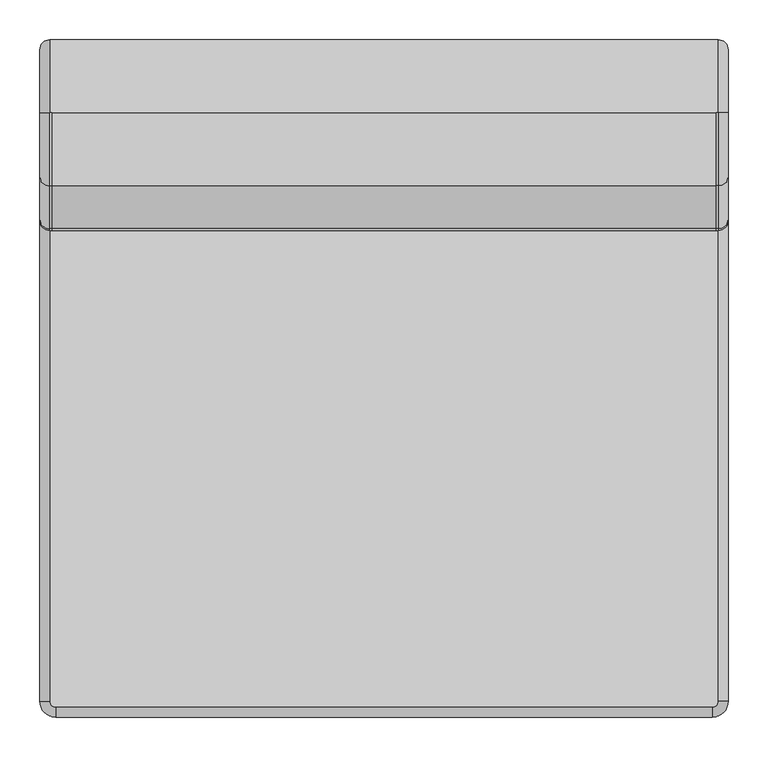
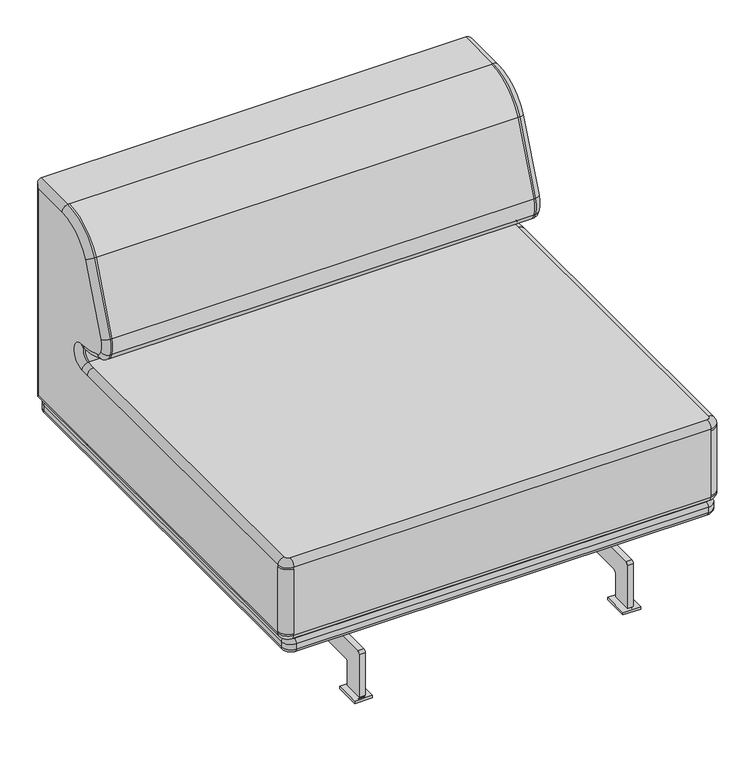
"""IFC4 building model written with IfcOpenShell, lengths in millimetres: furniture geometry."""

from ifc_helpers import new_model, si_unit, point, frame, frame_2d, origin, origin_with_axes, place, context, project, spatial, polyline, circle_curve, ellipse_curve, trimmed, segment, composite_curve, outline, extrude, source, transform, mapped, element, save
from ifc_brep_helpers import plane_surface, cylinder_surface, revolved_surface, advanced_brep


def furniture_51ce3e55(model_context):
    return source(origin(), model_context, "Body", "SolidModel", [
        advanced_brep(
        [(407.0265758, 417.5505267, 158.8040803), (418.5265758, 406.0505267, 158.8040803), (418.5265758, -406.9494733, 158.8040803), (407.0265758, -418.4494733, 158.8040803), (-407.028131, -418.4494733, 158.8040803), (-418.528131, -406.9494733, 158.8040803), (-418.528131, 406.0505267, 158.8040803), (-407.028131, 417.5505267, 158.8040803), (418.5265758, 406.0505267, 185.0), (407.0265758, 417.5505267, 185.0), (-407.028131, 417.5505267, 185.0), (-418.528131, 406.0505267, 185.0), (-418.528131, -406.9494733, 185.0), (-407.028131, -418.4494733, 185.0), (407.0265758, -418.4494733, 185.0), (418.5265758, -406.9494733, 185.0), (407.0265758, 425.0505267, 166.3040803), (426.0265758, 406.0505267, 166.3040803), (407.0265758, 425.0505267, 177.5), (426.0265758, 406.0505267, 177.5), (-407.028131, 425.0505267, 166.3040803), (-407.028131, 425.0505267, 177.5), (-426.028131, 406.0505267, 166.3040803), (-426.028131, 406.0505267, 177.5), (-426.028131, -406.9494733, 166.3040803), (-426.028131, -406.9494733, 177.5), (-407.028131, -425.9494733, 166.3040803), (-407.028131, -425.9494733, 177.5), (407.0265758, -425.9494733, 166.3040803), (407.0265758, -425.9494733, 177.5), (426.0265758, -406.9494733, 166.3040803), (426.0265758, -406.9494733, 177.5)],
        [
            (0, 1, circle_curve(frame((407.0265758, 406.0505267, 158.8040803), z_axis=(0.0, 0.0, -1.0), x_axis=(1.0, 0.0, 0.0)), 11.5)),
            (1, 2),
            (2, 3, circle_curve(frame((407.0265758, -406.9494733, 158.8040803), z_axis=(0.0, 0.0, -1.0), x_axis=(0.0, -1.0, 0.0)), 11.5)),
            (3, 4),
            (4, 5, circle_curve(frame((-407.028131, -406.9494733, 158.8040803), z_axis=(0.0, 0.0, -1.0), x_axis=(-1.0, 0.0, 0.0)), 11.5)),
            (5, 6),
            (6, 7, circle_curve(frame((-407.028131, 406.0505267, 158.8040803), z_axis=(0.0, 0.0, -1.0), x_axis=(0.0, 1.0, 0.0)), 11.5)),
            (7, 0),
            (8, 9, circle_curve(frame((407.0265758, 406.0505267, 185.0), z_axis=(0.0, 0.0, 1.0), x_axis=(1.0, 0.0, 0.0)), 11.5)),
            (9, 10),
            (10, 11, circle_curve(frame((-407.028131, 406.0505267, 185.0), z_axis=(0.0, 0.0, 1.0), x_axis=(0.0, 1.0, 0.0)), 11.5)),
            (11, 12),
            (12, 13, circle_curve(frame((-407.028131, -406.9494733, 185.0), z_axis=(0.0, 0.0, 1.0), x_axis=(-1.0, 0.0, 0.0)), 11.5)),
            (13, 14),
            (14, 15, circle_curve(frame((407.0265758, -406.9494733, 185.0), z_axis=(0.0, 0.0, 1.0), x_axis=(0.0, -1.0, 0.0)), 11.5)),
            (15, 8),
            (16, 17, circle_curve(frame((407.0265758, 406.0505267, 166.3040803), z_axis=(0.0, 0.0, -1.0), x_axis=(1.0, 0.0, 0.0)), 19.0)),
            (17, 1, circle_curve(frame((418.5265758, 406.0505267, 166.3040803), z_axis=(0.0, 1.0, 0.0), x_axis=(-1.0, 0.0, 0.0)), 7.5)),
            (0, 16, circle_curve(frame((407.0265758, 417.5505267, 166.3040803), z_axis=(1.0, 0.0, 0.0), x_axis=(0.0, -1.0, 0.0)), 7.5)),
            (16, 18),
            (18, 19, circle_curve(frame((407.0265758, 406.0505267, 177.5), z_axis=(0.0, 0.0, -1.0), x_axis=(1.0, 0.0, 0.0)), 19.0)),
            (19, 17),
            (18, 9, circle_curve(frame((407.0265758, 417.5505267, 177.5), z_axis=(1.0, 0.0, 0.0), x_axis=(0.0, -1.0, 0.0)), 7.5)),
            (8, 19, circle_curve(frame((418.5265758, 406.0505267, 177.5), z_axis=(0.0, 1.0, 0.0), x_axis=(-1.0, 0.0, 0.0)), 7.5)),
            (7, 20, circle_curve(frame((-407.028131, 417.5505267, 166.3040803), z_axis=(1.0, 0.0, 0.0), x_axis=(0.0, -1.0, 0.0)), 7.5)),
            (20, 16),
            (20, 21),
            (21, 18),
            (21, 10, circle_curve(frame((-407.028131, 417.5505267, 177.5), z_axis=(1.0, 0.0, 0.0), x_axis=(0.0, -1.0, 0.0)), 7.5)),
            (6, 22, circle_curve(frame((-418.528131, 406.0505267, 166.3040803), z_axis=(0.0, 1.0, 0.0), x_axis=(1.0, 0.0, 0.0)), 7.5)),
            (22, 20, circle_curve(frame((-407.028131, 406.0505267, 166.3040803), z_axis=(0.0, 0.0, -1.0), x_axis=(0.0, 1.0, 0.0)), 19.0)),
            (22, 23),
            (23, 21, circle_curve(frame((-407.028131, 406.0505267, 177.5), z_axis=(0.0, 0.0, -1.0), x_axis=(0.0, 1.0, 0.0)), 19.0)),
            (23, 11, circle_curve(frame((-418.528131, 406.0505267, 177.5), z_axis=(0.0, 1.0, 0.0), x_axis=(1.0, 0.0, 0.0)), 7.5)),
            (5, 24, circle_curve(frame((-418.528131, -406.9494733, 166.3040803), z_axis=(0.0, 1.0, 0.0), x_axis=(1.0, 0.0, 0.0)), 7.5)),
            (24, 22),
            (24, 25),
            (25, 23),
            (25, 12, circle_curve(frame((-418.528131, -406.9494733, 177.5), z_axis=(0.0, 1.0, 0.0), x_axis=(1.0, 0.0, 0.0)), 7.5)),
            (4, 26, circle_curve(frame((-407.028131, -418.4494733, 166.3040803), z_axis=(-1.0, 0.0, 0.0), x_axis=(0.0, 1.0, 0.0)), 7.5)),
            (26, 24, circle_curve(frame((-407.028131, -406.9494733, 166.3040803), z_axis=(0.0, 0.0, -1.0), x_axis=(-1.0, 0.0, 0.0)), 19.0)),
            (26, 27),
            (27, 25, circle_curve(frame((-407.028131, -406.9494733, 177.5), z_axis=(0.0, 0.0, -1.0), x_axis=(-1.0, 0.0, 0.0)), 19.0)),
            (27, 13, circle_curve(frame((-407.028131, -418.4494733, 177.5), z_axis=(-1.0, 0.0, 0.0), x_axis=(0.0, 1.0, 0.0)), 7.5)),
            (3, 28, circle_curve(frame((407.0265758, -418.4494733, 166.3040803), z_axis=(-1.0, 0.0, 0.0), x_axis=(0.0, 1.0, 0.0)), 7.5)),
            (28, 26),
            (28, 29),
            (29, 27),
            (29, 14, circle_curve(frame((407.0265758, -418.4494733, 177.5), z_axis=(-1.0, 0.0, 0.0), x_axis=(0.0, 1.0, 0.0)), 7.5)),
            (2, 30, circle_curve(frame((418.5265758, -406.9494733, 166.3040803), z_axis=(0.0, -1.0, 0.0), x_axis=(-1.0, 0.0, 0.0)), 7.5)),
            (30, 28, circle_curve(frame((407.0265758, -406.9494733, 166.3040803), z_axis=(0.0, 0.0, -1.0), x_axis=(0.0, -1.0, 0.0)), 19.0)),
            (30, 31),
            (31, 29, circle_curve(frame((407.0265758, -406.9494733, 177.5), z_axis=(0.0, 0.0, -1.0), x_axis=(0.0, -1.0, 0.0)), 19.0)),
            (31, 15, circle_curve(frame((418.5265758, -406.9494733, 177.5), z_axis=(0.0, -1.0, 0.0), x_axis=(-1.0, 0.0, 0.0)), 7.5)),
            (17, 30),
            (19, 31),
        ],
        [
            plane_surface(frame((-403.028131, 406.0505267, 158.8040803), z_axis=(0.0, 0.0, -1.0), x_axis=(0.0, -1.0, 0.0))),
            plane_surface(frame((-403.028131, 406.0505267, 185.0), z_axis=(0.0, 0.0, 1.0), x_axis=(0.0, 1.0, 0.0))),
            revolved_surface(trimmed(ellipse_curve(frame((418.5265758, 406.0505267, 166.3040803), z_axis=(0.0, -1.0, 0.0), x_axis=(-1.0, 0.0, 0.0)), 7.5, 7.5), [point((418.5265758, 406.0505267, 158.8040803))], [point((426.0265758, 406.0505267, 166.3040803))], True, "CARTESIAN"), (407.0265758, 406.0505267, 185.0), (0.0, 0.0, 1.0)),
            cylinder_surface(frame((407.0265758, 406.0505267, 185.0), z_axis=(0.0, 0.0, 1.0), x_axis=(1.0, 0.0, 0.0)), 19.0),
            revolved_surface(trimmed(ellipse_curve(frame((418.5265758, 406.0505267, 177.5), z_axis=(0.0, -1.0, 0.0), x_axis=(-1.0, 0.0, 0.0)), 7.5, 7.5), [point((426.0265758, 406.0505267, 177.5))], [point((418.5265758, 406.0505267, 185.0))], True, "CARTESIAN"), (407.0265758, 406.0505267, 185.0), (0.0, 0.0, 1.0)),
            cylinder_surface(frame((407.0265758, 417.5505267, 166.3040803), z_axis=(1.0, 0.0, 0.0), x_axis=(0.0, -1.0, 0.0)), 7.5),
            plane_surface(frame((407.0265758, 425.0505267, 166.3040803), z_axis=(0.0, 1.0, 0.0), x_axis=(-1.0, 0.0, 0.0))),
            cylinder_surface(frame((407.0265758, 417.5505267, 177.5), z_axis=(1.0, 0.0, 0.0), x_axis=(0.0, -1.0, 0.0)), 7.5),
            revolved_surface(trimmed(ellipse_curve(frame((-407.028131, 417.5505267, 166.3040803), z_axis=(1.0, 0.0, 0.0), x_axis=(0.0, -1.0, 0.0)), 7.5, 7.5), [point((-407.028131, 417.5505267, 158.8040803))], [point((-407.028131, 425.0505267, 166.3040803))], True, "CARTESIAN"), (-407.028131, 406.0505267, 185.0), (0.0, 0.0, 1.0)),
            cylinder_surface(frame((-407.028131, 406.0505267, 185.0), z_axis=(0.0, 0.0, 1.0), x_axis=(0.0, 1.0, 0.0)), 19.0),
            revolved_surface(trimmed(ellipse_curve(frame((-407.028131, 417.5505267, 177.5), z_axis=(1.0, 0.0, 0.0), x_axis=(0.0, -1.0, 0.0)), 7.5, 7.5), [point((-407.028131, 425.0505267, 177.5))], [point((-407.028131, 417.5505267, 185.0))], True, "CARTESIAN"), (-407.028131, 406.0505267, 185.0), (0.0, 0.0, 1.0)),
            cylinder_surface(frame((-418.528131, 406.0505267, 166.3040803), z_axis=(0.0, 1.0, 0.0), x_axis=(1.0, 0.0, 0.0)), 7.5),
            plane_surface(frame((-426.028131, 406.0505267, 166.3040803), z_axis=(-1.0, 0.0, 0.0), x_axis=(0.0, -1.0, 0.0))),
            cylinder_surface(frame((-418.528131, 406.0505267, 177.5), z_axis=(0.0, 1.0, 0.0), x_axis=(1.0, 0.0, 0.0)), 7.5),
            revolved_surface(trimmed(ellipse_curve(frame((-418.528131, -406.9494733, 166.3040803), z_axis=(0.0, 1.0, 0.0), x_axis=(1.0, 0.0, 0.0)), 7.5, 7.5), [point((-418.528131, -406.9494733, 158.8040803))], [point((-426.028131, -406.9494733, 166.3040803))], True, "CARTESIAN"), (-407.028131, -406.9494733, 185.0), (0.0, 0.0, 1.0)),
            cylinder_surface(frame((-407.028131, -406.9494733, 185.0), z_axis=(0.0, 0.0, 1.0), x_axis=(-1.0, 0.0, 0.0)), 19.0),
            revolved_surface(trimmed(ellipse_curve(frame((-418.528131, -406.9494733, 177.5), z_axis=(0.0, 1.0, 0.0), x_axis=(1.0, 0.0, 0.0)), 7.5, 7.5), [point((-426.028131, -406.9494733, 177.5))], [point((-418.528131, -406.9494733, 185.0))], True, "CARTESIAN"), (-407.028131, -406.9494733, 185.0), (0.0, 0.0, 1.0)),
            cylinder_surface(frame((-407.028131, -418.4494733, 166.3040803), z_axis=(-1.0, 0.0, 0.0), x_axis=(0.0, 1.0, 0.0)), 7.5),
            plane_surface(frame((-407.028131, -425.9494733, 166.3040803), z_axis=(0.0, -1.0, 0.0), x_axis=(1.0, 0.0, 0.0))),
            cylinder_surface(frame((-407.028131, -418.4494733, 177.5), z_axis=(-1.0, 0.0, 0.0), x_axis=(0.0, 1.0, 0.0)), 7.5),
            revolved_surface(trimmed(ellipse_curve(frame((407.0265758, -418.4494733, 166.3040803), z_axis=(-1.0, 0.0, 0.0), x_axis=(0.0, 1.0, 0.0)), 7.5, 7.5), [point((407.0265758, -418.4494733, 158.8040803))], [point((407.0265758, -425.9494733, 166.3040803))], True, "CARTESIAN"), (407.0265758, -406.9494733, 185.0), (0.0, 0.0, 1.0)),
            cylinder_surface(frame((407.0265758, -406.9494733, 185.0), z_axis=(0.0, 0.0, 1.0), x_axis=(0.0, -1.0, 0.0)), 19.0),
            revolved_surface(trimmed(ellipse_curve(frame((407.0265758, -418.4494733, 177.5), z_axis=(-1.0, 0.0, 0.0), x_axis=(0.0, 1.0, 0.0)), 7.5, 7.5), [point((407.0265758, -425.9494733, 177.5))], [point((407.0265758, -418.4494733, 185.0))], True, "CARTESIAN"), (407.0265758, -406.9494733, 185.0), (0.0, 0.0, 1.0)),
            cylinder_surface(frame((418.5265758, -406.9494733, 166.3040803), z_axis=(0.0, -1.0, 0.0), x_axis=(-1.0, 0.0, 0.0)), 7.5),
            plane_surface(frame((426.0265758, -406.9494733, 166.3040803), z_axis=(1.0, 0.0, 0.0), x_axis=(0.0, 1.0, 0.0))),
            cylinder_surface(frame((418.5265758, -406.9494733, 177.5), z_axis=(0.0, -1.0, 0.0), x_axis=(-1.0, 0.0, 0.0)), 7.5),
        ],
        [
            (0, [[1, 2, 3, 4, 5, 6, 7, 8]]),
            (1, [[9, 10, 11, 12, 13, 14, 15, 16]]),
            (2, [[17, 18, -1, 19]]),
            (3, [[-17, 20, 21, 22]]),
            (4, [[-21, 23, -9, 24]]),
            (5, [[-19, -8, 25, 26]]),
            (6, [[-20, -26, 27, 28]]),
            (7, [[-23, -28, 29, -10]]),
            (8, [[-25, -7, 30, 31]]),
            (9, [[-27, -31, 32, 33]]),
            (10, [[-29, -33, 34, -11]]),
            (11, [[-30, -6, 35, 36]]),
            (12, [[-32, -36, 37, 38]]),
            (13, [[-34, -38, 39, -12]]),
            (14, [[-35, -5, 40, 41]]),
            (15, [[-37, -41, 42, 43]]),
            (16, [[-39, -43, 44, -13]]),
            (17, [[-40, -4, 45, 46]]),
            (18, [[-42, -46, 47, 48]]),
            (19, [[-44, -48, 49, -14]]),
            (20, [[-45, -3, 50, 51]]),
            (21, [[-47, -51, 52, 53]]),
            (22, [[-49, -53, 54, -15]]),
            (23, [[-18, 55, -50, -2]]),
            (24, [[-22, 56, -52, -55]]),
            (25, [[-24, -16, -54, -56]]),
        ],
    ),
        extrude(outline(polyline([(-282.9984228, 411.0000594), (-247.9984228, 411.0000594), (-247.9984228, 359.0085721), (-282.9984228, 359.0085721), (-282.9984228, 411.0000594)])), origin_with_axes(), (0.0, 0.0, 1.0), 5.0),
        extrude(outline(polyline([(-282.9984228, -410.9863447), (-282.9984228, -358.9948573), (-247.9984228, -358.9948573), (-247.9984228, -410.9863447), (-282.9984228, -410.9863447)])), origin_with_axes(), (0.0, 0.0, 1.0), 5.0),
        extrude(outline(composite_curve([segment(trimmed(circle_curve(frame_2d((-259.9934856, 104.9874953)), 5.0), [point((-259.9934856, 99.9874953))], [point((-254.9934856, 104.9874953))], True, "CARTESIAN"), True, "CONTINUOUS"), segment(polyline([(-254.9934856, 104.9874953), (-254.9934856, 158.854696), (255.003771, 158.854696), (255.003771, 104.9874953)]), True, "CONTINUOUS"), segment(trimmed(circle_curve(frame_2d((260.003771, 104.9874953)), 5.0), [point((255.003771, 104.9874953))], [point((260.003771, 99.9874953))], True, "CARTESIAN"), True, "CONTINUOUS"), segment(polyline([(260.003771, 99.9874953), (399.9970143, 99.9874953)]), True, "CONTINUOUS"), segment(trimmed(circle_curve(frame_2d((399.9970143, 94.9874953)), 5.0), [point((399.9970143, 99.9874953))], [point((404.9970143, 94.9874953))], False, "CARTESIAN"), True, "CONTINUOUS"), segment(polyline([(404.9970143, 94.9874953), (404.9970143, 5.0)]), True, "CONTINUOUS"), segment(trimmed(circle_curve(frame_2d((399.9970143, 5.0)), 5.0), [point((404.9970143, 5.0))], [point((399.9970143, 0.0))], False, "CARTESIAN"), True, "CONTINUOUS"), segment(polyline([(399.9970143, 0.0), (370.0099022, 0.0)]), True, "CONTINUOUS"), segment(trimmed(circle_curve(frame_2d((370.0099022, 5.0)), 5.0), [point((370.0099022, 0.0))], [point((365.0099022, 5.0))], False, "CARTESIAN"), True, "CONTINUOUS"), segment(polyline([(365.0099022, 5.0), (365.0099022, 54.9883827)]), True, "CONTINUOUS"), segment(trimmed(circle_curve(frame_2d((360.0099022, 54.9883827)), 5.0), [point((365.0099022, 54.9883827))], [point((360.0099022, 59.9883827))], True, "CARTESIAN"), True, "CONTINUOUS"), segment(polyline([(360.0099022, 59.9883827), (-359.9979025, 59.9883827)]), True, "CONTINUOUS"), segment(trimmed(circle_curve(frame_2d((-359.9979025, 54.9883827)), 5.0), [point((-359.9979025, 59.9883827))], [point((-364.9979025, 54.9883827))], True, "CARTESIAN"), True, "CONTINUOUS"), segment(polyline([(-364.9979025, 54.9883827), (-364.9979025, 5.0)]), True, "CONTINUOUS"), segment(trimmed(circle_curve(frame_2d((-369.9979025, 5.0)), 5.0), [point((-364.9979025, 5.0))], [point((-369.9979025, 0.0))], False, "CARTESIAN"), True, "CONTINUOUS"), segment(polyline([(-369.9979025, 0.0), (-400.0004437, 0.0)]), True, "CONTINUOUS"), segment(trimmed(circle_curve(frame_2d((-400.0004437, 5.0)), 5.0), [point((-400.0004437, 0.0))], [point((-405.0004437, 5.0))], False, "CARTESIAN"), True, "CONTINUOUS"), segment(polyline([(-405.0004437, 5.0), (-405.0004437, 94.9874953)]), True, "CONTINUOUS"), segment(trimmed(circle_curve(frame_2d((-400.0004437, 94.9874953)), 5.0), [point((-405.0004437, 94.9874953))], [point((-400.0004437, 99.9874953))], False, "CARTESIAN"), True, "CONTINUOUS"), segment(polyline([(-400.0004437, 99.9874953), (-259.9934856, 99.9874953)]), True, "CONTINUOUS")], self_intersect=False)), frame((-271.0000122, 0.0, 0.0), z_axis=(1.0, 0.0, 0.0), x_axis=(0.0, 1.0, 0.0)), (0.0, 0.0, 1.0), 12.0),
        advanced_brep(
        [(432.1324279, -405.9949168, 335.625543), (432.1324279, -405.9949168, 201.0480441), (432.1324279, -405.9949168, 197.3364528), (432.1324279, 246.2827052, 197.3364528), (432.1324279, 412.8241303, 197.3364528), (432.1324279, 412.8241303, 627.6635713), (432.1324279, 333.4049582, 627.6635713), (432.1324279, 252.7150707, 578.4496009), (432.1324279, 199.5786009, 443.5202413), (432.1324279, 199.5786009, 417.2662665), (432.1324279, 209.8034378, 405.5075691), (432.1324279, 264.5066492, 394.0100399), (432.1324279, 264.5066492, 339.3371343), (432.1324279, 246.2827052, 339.3371343), (432.1324279, -405.9949168, 339.3371343), (419.7959751, 425.1605831, 640.0000241), (419.7959751, 425.1605831, 185.0), (-419.9441661, 425.1605831, 185.0), (-419.9441661, 425.1605831, 640.0000241), (-432.2806188, -405.9949168, 335.625543), (-432.2806188, -405.9949168, 201.0480441), (-412.3260623, -425.9494733, 201.0480441), (-412.3260623, -425.9494733, 335.625543), (-412.3260623, -425.9494733, 197.3364528), (412.1778714, -425.9494733, 197.3364528), (412.1778714, -425.9494733, 201.0480441), (412.1778714, -425.9494733, 335.625543), (412.1778714, -425.9494733, 339.3371343), (-412.3260623, -425.9494733, 339.3371343), (-432.2806188, -405.9949168, 339.3371343), (-432.2806188, 246.2827052, 339.3371343), (-432.2806188, 264.5066492, 339.3371343), (-432.2806188, 264.5066492, 394.0100399), (-432.2806188, 209.8008821, 405.5086932), (-432.2806188, 199.5786009, 417.2662665), (-432.2806188, 199.5786009, 443.5202413), (-432.2806188, 252.7150707, 578.4496009), (-432.2806188, 333.4049582, 627.6635713), (-432.2806188, 412.8241303, 627.6635713), (-432.2806188, 412.8241303, 197.3364528), (-432.2806188, 246.2827052, 197.3364528), (-432.2806188, -405.9949168, 197.3364528), (417.1778714, 264.5066492, 351.6735871), (419.7959751, 264.5066492, 351.6735871), (419.7959751, 264.5066492, 381.6735871), (417.1778714, 264.5066492, 381.6735871), (419.7959751, 204.83857, 394.2142899), (417.1778714, 204.83857, 394.2142899), (419.7959751, 187.7052745, 413.9178058), (417.1778714, 187.7052745, 413.9178058), (419.7959751, 187.7052745, 446.868702), (417.1778714, 187.7052745, 446.868702), (419.7959751, 241.746838, 584.0963643), (417.1778714, 241.746838, 584.0963643), (419.7959751, 333.4049582, 640.0000241), (417.1778714, 333.4049582, 640.0000241), (-417.3260623, 333.4049582, 640.0000241), (-419.9441661, 333.4049582, 640.0000241), (-419.9441661, 241.746838, 584.0963643), (-417.3260623, 241.746838, 584.0963643), (-419.9441661, 187.7052745, 446.868702), (-417.3260623, 187.7052745, 446.868702), (-419.9441661, 187.7052745, 413.9178058), (-417.3260623, 187.7052745, 413.9178058), (-419.9441661, 204.8342874, 394.2161731), (-417.3260623, 204.8342874, 394.2161731), (-419.9441661, 264.5066492, 381.6735871), (-417.3260623, 264.5066492, 381.6735871), (-419.9441661, 264.5066492, 351.6735871), (-417.3260623, 264.5066492, 351.6735871), (419.7959751, 246.2827052, 351.6735871), (419.7959751, 246.2827052, 185.0), (419.7959751, -405.9949168, 185.0), (412.1778714, -413.6130205, 185.0), (-412.3260623, -413.6130205, 185.0), (-419.9441661, -405.9949168, 185.0), (-419.9441661, 246.2827052, 185.0), (-419.9441661, 246.2827052, 351.6735871), (-419.9441661, -405.9949168, 351.6735871), (-412.3260623, -413.6130205, 351.6735871), (412.1778714, -413.6130205, 351.6735871), (419.7959751, -405.9949168, 351.6735871)],
        [
            (0, 1),
            (1, 2),
            (2, 3),
            (3, 4),
            (4, 5),
            (5, 6),
            (6, 7, circle_curve(frame((432.1324279, 333.4049582, 536.9081136), z_axis=(1.0, 0.0, 0.0), x_axis=(0.0, -0.8890912952620781, 0.4577299080125748)), 90.7554577)),
            (7, 8, circle_curve(frame((432.1324279, 896.6409495, 246.9379386), z_axis=(1.0, 0.0, 0.0), x_axis=(0.0, -0.962458703466363, 0.27142815646474056)), 724.2516963)),
            (8, 9, circle_curve(frame((432.1324279, 246.1256632, 430.3932539), z_axis=(1.0, 0.0, 0.0), x_axis=(0.0, -0.9624587034664214, -0.27142815646453317)), 48.3626592)),
            (9, 10, circle_curve(frame((432.1324279, 217.1516706, 422.2221424), z_axis=(1.0, 0.0, 0.0), x_axis=(0.0, -0.402455050789499, -0.9154397479321191)), 18.2585182)),
            (10, 11, circle_curve(frame((432.1324279, 264.5066492, 529.8929075), z_axis=(1.0, 0.0, 0.0), x_axis=(0.0, 0.0, -1.0)), 135.8828676)),
            (11, 12, circle_curve(frame((432.1324279, 264.5066492, 366.6735871), z_axis=(-1.0, 0.0, 0.0), x_axis=(0.0, 0.0, -1.0)), 27.3364528)),
            (12, 13),
            (13, 14),
            (14, 0),
            (15, 16),
            (16, 17),
            (17, 18),
            (18, 15),
            (19, 20),
            (20, 21, circle_curve(frame((-412.3260623, -405.9949168, 201.0480441), z_axis=(0.0, 0.0, 1.0), x_axis=(-1.0, 0.0, 0.0)), 19.9545565)),
            (21, 22),
            (22, 19, circle_curve(frame((-412.3260623, -405.9949168, 335.625543), z_axis=(0.0, 0.0, -1.0), x_axis=(-1.0, 0.0, 0.0)), 19.9545565)),
            (21, 23),
            (23, 24),
            (24, 25),
            (25, 26),
            (26, 27),
            (27, 28),
            (28, 22),
            (25, 1, circle_curve(frame((412.1778714, -405.9949168, 201.0480441), z_axis=(0.0, 0.0, 1.0), x_axis=(0.0, -1.0, 0.0)), 19.9545565)),
            (0, 26, circle_curve(frame((412.1778714, -405.9949168, 335.625543), z_axis=(0.0, 0.0, -1.0), x_axis=(0.0, -1.0, 0.0)), 19.9545565)),
            (19, 29),
            (29, 30),
            (30, 31),
            (31, 32, circle_curve(frame((-432.2806188, 264.5066492, 366.6735871), z_axis=(1.0, 0.0, 0.0), x_axis=(0.0, 0.0, 1.0)), 27.3364528)),
            (32, 33, circle_curve(frame((-432.2806188, 264.5066492, 529.8929075), z_axis=(-1.0, 0.0, 0.0), x_axis=(0.0, -0.40259502940694186, -0.9153781963193266)), 135.8828676)),
            (33, 34, circle_curve(frame((-432.2806188, 217.1516706, 422.2221424), z_axis=(-1.0, 0.0, 0.0), x_axis=(0.0, -0.962458703466418, -0.2714281564645451)), 18.2585182)),
            (34, 35, circle_curve(frame((-432.2806188, 246.1256632, 430.3932539), z_axis=(-1.0, 0.0, 0.0), x_axis=(0.0, -0.9624587034663631, 0.27142815646473994)), 48.3626592)),
            (35, 36, circle_curve(frame((-432.2806188, 896.6409495, 246.9379386), z_axis=(-1.0, 0.0, 0.0), x_axis=(0.0, -0.8890912952620751, 0.45772990801258073)), 724.2516963)),
            (36, 37, circle_curve(frame((-432.2806188, 333.4049582, 536.9081136), z_axis=(-1.0, 0.0, 0.0), x_axis=(0.0, 0.0, 1.0)), 90.7554577)),
            (37, 38),
            (38, 39),
            (39, 40),
            (40, 41),
            (41, 20),
            (42, 43),
            (43, 44, circle_curve(frame((419.7959751, 264.5066492, 366.6735871), z_axis=(1.0, 0.0, 0.0), x_axis=(0.0, 0.0, -1.0)), 15.0)),
            (44, 45),
            (45, 42, circle_curve(frame((417.1778714, 264.5066492, 366.6735871), z_axis=(-1.0, 0.0, 0.0), x_axis=(0.0, 0.0, -1.0)), 15.0)),
            (44, 46, circle_curve(frame((419.7959751, 264.5066492, 529.8929075), z_axis=(-1.0, 0.0, 0.0), x_axis=(0.0, 0.0, -1.0)), 148.2193204)),
            (46, 47),
            (47, 45, circle_curve(frame((417.1778714, 264.5066492, 529.8929075), z_axis=(1.0, 0.0, 0.0), x_axis=(0.0, 0.0, -1.0)), 148.2193204)),
            (46, 48, circle_curve(frame((419.7959751, 217.1516706, 422.2221424), z_axis=(-1.0, 0.0, 0.0), x_axis=(0.0, -0.402455050789499, -0.9154397479321191)), 30.594971)),
            (48, 49),
            (49, 47, circle_curve(frame((417.1778714, 217.1516706, 422.2221424), z_axis=(1.0, 0.0, 0.0), x_axis=(0.0, -0.402455050789499, -0.9154397479321191)), 30.594971)),
            (48, 50, circle_curve(frame((419.7959751, 246.1256632, 430.3932539), z_axis=(-1.0, 0.0, 0.0), x_axis=(0.0, -0.9624587034664214, -0.27142815646453317)), 60.699112)),
            (50, 51),
            (51, 49, circle_curve(frame((417.1778714, 246.1256632, 430.3932539), z_axis=(1.0, 0.0, 0.0), x_axis=(0.0, -0.9624587034664214, -0.27142815646453317)), 60.699112)),
            (50, 52, circle_curve(frame((419.7959751, 896.6409495, 246.9379386), z_axis=(-1.0, 0.0, 0.0), x_axis=(0.0, -0.962458703466363, 0.27142815646474056)), 736.5881491)),
            (52, 53),
            (53, 51, circle_curve(frame((417.1778714, 896.6409495, 246.9379386), z_axis=(1.0, 0.0, 0.0), x_axis=(0.0, -0.962458703466363, 0.27142815646474056)), 736.5881491)),
            (52, 54, circle_curve(frame((419.7959751, 333.4049582, 536.9081136), z_axis=(-1.0, 0.0, 0.0), x_axis=(0.0, -0.8890912952620781, 0.4577299080125748)), 103.0919105)),
            (54, 55),
            (55, 53, circle_curve(frame((417.1778714, 333.4049582, 536.9081136), z_axis=(1.0, 0.0, 0.0), x_axis=(0.0, -0.8890912952620781, 0.4577299080125748)), 103.0919105)),
            (56, 57),
            (57, 58, circle_curve(frame((-419.9441661, 333.4049582, 536.9081136), z_axis=(1.0, 0.0, 0.0), x_axis=(0.0, 0.0, 1.0)), 103.0919105)),
            (58, 59),
            (59, 56, circle_curve(frame((-417.3260623, 333.4049582, 536.9081136), z_axis=(-1.0, 0.0, 0.0), x_axis=(0.0, 0.0, 1.0)), 103.0919105)),
            (58, 60, circle_curve(frame((-419.9441661, 896.6409495, 246.9379386), z_axis=(1.0, 0.0, 0.0), x_axis=(0.0, -0.8890912952620751, 0.45772990801258073)), 736.5881491)),
            (60, 61),
            (61, 59, circle_curve(frame((-417.3260623, 896.6409495, 246.9379386), z_axis=(-1.0, 0.0, 0.0), x_axis=(0.0, -0.8890912952620751, 0.45772990801258073)), 736.5881491)),
            (60, 62, circle_curve(frame((-419.9441661, 246.1256632, 430.3932539), z_axis=(1.0, 0.0, 0.0), x_axis=(0.0, -0.9624587034663631, 0.27142815646473994)), 60.699112)),
            (62, 63),
            (63, 61, circle_curve(frame((-417.3260623, 246.1256632, 430.3932539), z_axis=(-1.0, 0.0, 0.0), x_axis=(0.0, -0.9624587034663631, 0.27142815646473994)), 60.699112)),
            (62, 64, circle_curve(frame((-419.9441661, 217.1516706, 422.2221424), z_axis=(1.0, 0.0, 0.0), x_axis=(0.0, -0.962458703466418, -0.2714281564645451)), 30.594971)),
            (64, 65),
            (65, 63, circle_curve(frame((-417.3260623, 217.1516706, 422.2221424), z_axis=(-1.0, 0.0, 0.0), x_axis=(0.0, -0.962458703466418, -0.2714281564645451)), 30.594971)),
            (64, 66, circle_curve(frame((-419.9441661, 264.5066492, 529.8929075), z_axis=(1.0, 0.0, 0.0), x_axis=(0.0, -0.40259502940694186, -0.9153781963193266)), 148.2193204)),
            (66, 67),
            (67, 65, circle_curve(frame((-417.3260623, 264.5066492, 529.8929075), z_axis=(-1.0, 0.0, 0.0), x_axis=(0.0, -0.40259502940694186, -0.9153781963193266)), 148.2193204)),
            (66, 68, circle_curve(frame((-419.9441661, 264.5066492, 366.6735871), z_axis=(-1.0, 0.0, 0.0), x_axis=(0.0, 0.0, 1.0)), 15.0)),
            (68, 69),
            (69, 67, circle_curve(frame((-417.3260623, 264.5066492, 366.6735871), z_axis=(1.0, 0.0, 0.0), x_axis=(0.0, 0.0, 1.0)), 15.0)),
            (43, 70),
            (70, 13, circle_curve(frame((419.7959751, 246.2827052, 339.3371343), z_axis=(0.0, 1.0, 0.0), x_axis=(0.0, 0.0, -1.0)), 12.3364528)),
            (12, 43, circle_curve(frame((419.7959751, 264.5066492, 339.3371343), z_axis=(0.0, -1.0, 0.0), x_axis=(0.0, 0.0, -1.0)), 12.3364528)),
            (11, 44, circle_curve(frame((419.7959751, 264.5066492, 394.0100399), z_axis=(0.0, 1.0, 0.0), x_axis=(0.0, 0.0, 1.0)), 12.3364528)),
            (10, 46, circle_curve(frame((419.7959751, 209.8034378, 405.5075691), z_axis=(0.0, 0.9154397479321191, -0.40245505078949895), x_axis=(0.0, 0.40245505078949895, 0.9154397479321191)), 12.3364528)),
            (9, 48, circle_curve(frame((419.7959751, 199.5786009, 417.2662665), z_axis=(0.0, 0.27142815646453616, -0.9624587034664205), x_axis=(0.0, 0.9624587034664205, 0.27142815646453616)), 12.3364528)),
            (8, 50, circle_curve(frame((419.7959751, 199.5786009, 443.5202413), z_axis=(0.0, -0.2714281564648147, -0.9624587034663419), x_axis=(0.0, 0.9624587034663419, -0.2714281564648147)), 12.3364528)),
            (7, 52, circle_curve(frame((419.7959751, 252.7150707, 578.4496009), z_axis=(0.0, -0.45772990801257024, -0.8890912952620805), x_axis=(0.0, 0.8890912952620805, -0.45772990801257024)), 12.3364528)),
            (6, 54, circle_curve(frame((419.7959751, 333.4049582, 627.6635713), z_axis=(0.0, -1.0, 0.0), x_axis=(0.0, 0.0, -1.0)), 12.3364528)),
            (15, 54),
            (5, 15, ellipse_curve(frame((419.7959751, 412.8241303, 627.6635713), z_axis=(0.0, -0.7071067811865465, 0.7071067811865485), x_axis=(0.0, -0.7071067811865486, -0.7071067811865465)), 17.4463788, 12.3364528)),
            (4, 16, ellipse_curve(frame((419.7959751, 412.8241303, 197.3364528), z_axis=(0.0, 0.7071067811865475, 0.7071067811865476), x_axis=(0.0, -0.7071067811865476, 0.7071067811865474)), 17.4463788, 12.3364528)),
            (71, 16),
            (3, 71, circle_curve(frame((419.7959751, 246.2827052, 197.3364528), z_axis=(0.0, 1.0, 0.0), x_axis=(0.0, 0.0, 1.0)), 12.3364528)),
            (72, 71),
            (2, 72, circle_curve(frame((419.7959751, -405.9949168, 197.3364528), z_axis=(0.0, 1.0, 0.0), x_axis=(0.0, 0.0, 1.0)), 12.3364528)),
            (24, 2, circle_curve(frame((412.1778714, -405.9949168, 197.3364528), z_axis=(0.0, 0.0, 1.0), x_axis=(1.0, 0.0, 0.0)), 19.9545565)),
            (73, 72, circle_curve(frame((412.1778714, -405.9949168, 185.0), z_axis=(0.0, 0.0, 1.0), x_axis=(1.0, 0.0, 0.0)), 7.6181038)),
            (24, 73, circle_curve(frame((412.1778714, -413.6130205, 197.3364528), z_axis=(1.0, 0.0, 0.0), x_axis=(0.0, 0.0, 1.0)), 12.3364528)),
            (74, 73),
            (23, 74, circle_curve(frame((-412.3260623, -413.6130205, 197.3364528), z_axis=(1.0, 0.0, 0.0), x_axis=(0.0, 0.0, 1.0)), 12.3364528)),
            (41, 23, circle_curve(frame((-412.3260623, -405.9949168, 197.3364528), z_axis=(0.0, 0.0, 1.0), x_axis=(0.0, -1.0, 0.0)), 19.9545565)),
            (75, 74, circle_curve(frame((-412.3260623, -405.9949168, 185.0), z_axis=(0.0, 0.0, 1.0), x_axis=(0.0, -1.0, 0.0)), 7.6181038)),
            (41, 75, circle_curve(frame((-419.9441661, -405.9949168, 197.3364528), z_axis=(0.0, -1.0, 0.0), x_axis=(0.0, 0.0, 1.0)), 12.3364528)),
            (76, 75),
            (40, 76, circle_curve(frame((-419.9441661, 246.2827052, 197.3364528), z_axis=(0.0, -1.0, 0.0), x_axis=(0.0, 0.0, 1.0)), 12.3364528)),
            (17, 76),
            (39, 17, ellipse_curve(frame((-419.9441661, 412.8241303, 197.3364528), z_axis=(0.0, -0.7071067811865476, -0.7071067811865475), x_axis=(0.0, -0.7071067811865474, 0.7071067811865476)), 17.4463788, 12.3364528)),
            (38, 18, ellipse_curve(frame((-419.9441661, 412.8241303, 627.6635713), z_axis=(0.0, 0.7071067811865465, -0.7071067811865486), x_axis=(0.0, -0.7071067811865486, -0.7071067811865465)), 17.4463788, 12.3364528)),
            (57, 18),
            (37, 57, circle_curve(frame((-419.9441661, 333.4049582, 627.6635713), z_axis=(0.0, 1.0, 0.0), x_axis=(0.0, 0.0, -1.0)), 12.3364528)),
            (36, 58, circle_curve(frame((-419.9441661, 252.7150707, 578.4496009), z_axis=(0.0, 0.4577299080126585, 0.889091295262035), x_axis=(0.0, 0.889091295262035, -0.4577299080126585)), 12.3364528)),
            (35, 60, circle_curve(frame((-419.9441661, 199.5786009, 443.5202413), z_axis=(0.0, 0.2714281564647355, 0.9624587034663643), x_axis=(0.0, 0.9624587034663643, -0.2714281564647355)), 12.3364528)),
            (34, 62, circle_curve(frame((-419.9441661, 199.5786009, 417.2662665), z_axis=(0.0, -0.2714281564645364, 0.9624587034664205), x_axis=(0.0, 0.9624587034664205, 0.2714281564645364)), 12.3364528)),
            (33, 64, circle_curve(frame((-419.9441661, 209.800882, 405.508693), z_axis=(0.0, -0.9153781963193274, 0.40259502940694025), x_axis=(0.0, 0.40259502940694025, 0.9153781963193274)), 12.3364528)),
            (32, 66, circle_curve(frame((-419.9441661, 264.5066492, 394.0100399), z_axis=(0.0, -1.0, 0.0), x_axis=(0.0, 0.0, 1.0)), 12.3364528)),
            (31, 68, circle_curve(frame((-419.9441661, 264.5066492, 339.3371343), z_axis=(0.0, 1.0, 0.0), x_axis=(0.0, 0.0, -1.0)), 12.3364528)),
            (77, 68),
            (30, 77, circle_curve(frame((-419.9441661, 246.2827052, 339.3371343), z_axis=(0.0, 1.0, 0.0), x_axis=(0.0, 0.0, -1.0)), 12.3364528)),
            (78, 77),
            (29, 78, circle_curve(frame((-419.9441661, -405.9949168, 339.3371343), z_axis=(0.0, 1.0, 0.0), x_axis=(0.0, 0.0, -1.0)), 12.3364528)),
            (28, 29, circle_curve(frame((-412.3260623, -405.9949168, 339.3371343), z_axis=(0.0, 0.0, -1.0), x_axis=(-1.0, 0.0, 0.0)), 19.9545565)),
            (79, 78, circle_curve(frame((-412.3260623, -405.9949168, 351.6735871), z_axis=(0.0, 0.0, -1.0), x_axis=(-1.0, 0.0, 0.0)), 7.6181038)),
            (28, 79, circle_curve(frame((-412.3260623, -413.6130205, 339.3371343), z_axis=(-1.0, 0.0, 0.0), x_axis=(0.0, 0.0, -1.0)), 12.3364528)),
            (80, 79),
            (27, 80, circle_curve(frame((412.1778714, -413.6130205, 339.3371343), z_axis=(-1.0, 0.0, 0.0), x_axis=(0.0, 0.0, -1.0)), 12.3364528)),
            (14, 27, circle_curve(frame((412.1778714, -405.9949168, 339.3371343), z_axis=(0.0, 0.0, -1.0), x_axis=(0.0, -1.0, 0.0)), 19.9545565)),
            (81, 80, circle_curve(frame((412.1778714, -405.9949168, 351.6735871), z_axis=(0.0, 0.0, -1.0), x_axis=(0.0, -1.0, 0.0)), 7.6181038)),
            (14, 81, circle_curve(frame((419.7959751, -405.9949168, 339.3371343), z_axis=(0.0, -1.0, 0.0), x_axis=(0.0, 0.0, -1.0)), 12.3364528)),
            (70, 81),
            (56, 55),
            (59, 53),
            (61, 51),
            (63, 49),
            (65, 47),
            (45, 67),
            (69, 42),
        ],
        [
            plane_surface(frame((432.1324279, 256.0150142, 576.7506946), z_axis=(1.0, 0.0, 0.0), x_axis=(0.0, -0.4577299080125809, -0.889091295262075))),
            plane_surface(frame((-432.2806188, 425.1605831, 659.6697771), z_axis=(0.0, 1.0, 0.0), x_axis=(0.0, 0.0, -1.0))),
            cylinder_surface(frame((-412.3260623, -405.9949168, 201.0480441), z_axis=(0.0, 0.0, 1.0), x_axis=(-1.0, 0.0, 0.0)), 19.9545565),
            plane_surface(frame((-412.3260623, -425.9494733, 335.625543), z_axis=(0.0, -1.0, 0.0), x_axis=(0.0, 0.0, -1.0))),
            cylinder_surface(frame((412.1778714, -405.9949168, 201.0480441), z_axis=(0.0, 0.0, 1.0), x_axis=(0.0, -1.0, 0.0)), 19.9545565),
            plane_surface(frame((-432.2806188, 333.4049582, 623.95198), z_axis=(-1.0, 0.0, 0.0), x_axis=(0.0, 1.0, 0.0))),
            revolved_surface(polyline([(419.7959751, 264.5066492, 351.6735871), (417.1778714, 264.5066492, 351.6735871)]), (417.1778714, 264.5066492, 366.6735871), (1.0, 0.0, 0.0)),
            cylinder_surface(frame((417.1778714, 264.5066492, 529.8929075), z_axis=(-1.0, 0.0, 0.0), x_axis=(0.0, 0.0, -1.0)), 148.2193204),
            cylinder_surface(frame((417.1778714, 217.1516706, 422.2221424), z_axis=(-1.0, 0.0, 0.0), x_axis=(0.0, -0.402455050789499, -0.9154397479321191)), 30.594971),
            cylinder_surface(frame((417.1778714, 246.1256632, 430.3932539), z_axis=(-1.0, 0.0, 0.0), x_axis=(0.0, -0.9624587034664214, -0.27142815646453317)), 60.699112),
            cylinder_surface(frame((417.1778714, 896.6409495, 246.9379386), z_axis=(-1.0, 0.0, 0.0), x_axis=(0.0, -0.962458703466363, 0.27142815646474056)), 736.5881491),
            cylinder_surface(frame((417.1778714, 333.4049582, 536.9081136), z_axis=(-1.0, 0.0, 0.0), x_axis=(0.0, -0.8890912952620781, 0.4577299080125748)), 103.0919105),
            cylinder_surface(frame((-417.3260623, 333.4049582, 536.9081136), z_axis=(1.0, 0.0, 0.0), x_axis=(0.0, 0.0, 1.0)), 103.0919105),
            cylinder_surface(frame((-417.3260623, 896.6409495, 246.9379386), z_axis=(1.0, 0.0, 0.0), x_axis=(0.0, -0.8890912952620751, 0.45772990801258073)), 736.5881491),
            cylinder_surface(frame((-417.3260623, 246.1256632, 430.3932539), z_axis=(1.0, 0.0, 0.0), x_axis=(0.0, -0.9624587034663631, 0.27142815646473994)), 60.699112),
            cylinder_surface(frame((-417.3260623, 217.1516706, 422.2221424), z_axis=(1.0, 0.0, 0.0), x_axis=(0.0, -0.962458703466418, -0.2714281564645451)), 30.594971),
            cylinder_surface(frame((-417.3260623, 264.5066492, 529.8929075), z_axis=(1.0, 0.0, 0.0), x_axis=(0.0, -0.40259502940694186, -0.9153781963193266)), 148.2193204),
            revolved_surface(polyline([(-419.9441661, 264.5066492, 381.6735871), (-417.3260623, 264.5066492, 381.6735871)]), (-417.3260623, 264.5066492, 366.6735871), (-1.0, 0.0, 0.0)),
            cylinder_surface(frame((419.7959751, 246.2827052, 339.3371343), z_axis=(0.0, -1.0, 0.0), x_axis=(0.0, 0.0, -1.0)), 12.3364528),
            revolved_surface(trimmed(ellipse_curve(frame((419.7959751, 264.5066492, 339.3371343), z_axis=(0.0, -1.0, 0.0), x_axis=(0.0, 0.0, -1.0)), 12.3364528, 12.3364528), [point((432.1324279, 264.5066492, 339.3371343))], [point((419.7959751, 264.5066492, 351.6735871))], True, "CARTESIAN"), (417.1778714, 264.5066492, 366.6735871), (1.0, 0.0, 0.0)),
            revolved_surface(trimmed(ellipse_curve(frame((419.7959751, 264.5066492, 394.0100399), z_axis=(0.0, 1.0, 0.0), x_axis=(0.0, 0.0, 1.0)), 12.3364528, 12.3364528), [point((432.1324279, 264.5066492, 394.0100399))], [point((419.7959751, 264.5066492, 381.6735871))], True, "CARTESIAN"), (417.1778714, 264.5066492, 529.8929075), (-1.0, 0.0, 0.0)),
            revolved_surface(trimmed(ellipse_curve(frame((419.7959751, 209.8034378, 405.5075691), z_axis=(0.0, 0.9154397479321191, -0.40245505078949895), x_axis=(0.0, 0.40245505078949895, 0.9154397479321191)), 12.3364528, 12.3364528), [point((432.1324279, 209.8034378, 405.5075691))], [point((419.7959751, 204.83857, 394.2142899))], True, "CARTESIAN"), (417.1778714, 217.1516706, 422.2221424), (-1.0, 0.0, 0.0)),
            revolved_surface(trimmed(ellipse_curve(frame((419.7959751, 199.5786009, 417.2662665), z_axis=(0.0, 0.2714281564645332, -0.9624587034664214), x_axis=(0.0, 0.9624587034664214, 0.2714281564645332)), 12.3364528, 12.3364528), [point((432.1324279, 199.5786009, 417.2662665))], [point((419.7959751, 187.7052745, 413.9178058))], True, "CARTESIAN"), (417.1778714, 246.1256632, 430.3932539), (-1.0, 0.0, 0.0)),
            revolved_surface(trimmed(ellipse_curve(frame((419.7959751, 199.5786009, 443.5202413), z_axis=(0.0, -0.27142815646474056, -0.962458703466363), x_axis=(0.0, 0.962458703466363, -0.27142815646474056)), 12.3364528, 12.3364528), [point((432.1324279, 199.5786009, 443.5202413))], [point((419.7959751, 187.7052745, 446.868702))], True, "CARTESIAN"), (417.1778714, 896.6409495, 246.9379386), (-1.0, 0.0, 0.0)),
            revolved_surface(trimmed(ellipse_curve(frame((419.7959751, 252.7150707, 578.4496009), z_axis=(0.0, -0.4577299080125748, -0.8890912952620781), x_axis=(0.0, 0.8890912952620781, -0.4577299080125748)), 12.3364528, 12.3364528), [point((432.1324279, 252.7150707, 578.4496009))], [point((419.7959751, 241.746838, 584.0963643))], True, "CARTESIAN"), (417.1778714, 333.4049582, 536.9081136), (-1.0, 0.0, 0.0)),
            cylinder_surface(frame((419.7959751, 333.4049582, 627.6635713), z_axis=(0.0, -1.0, 0.0), x_axis=(0.0, 0.0, -1.0)), 12.3364528),
            cylinder_surface(frame((419.7959751, 412.8241303, 640.0000241), z_axis=(0.0, 0.0, 1.0), x_axis=(0.0, -1.0, 0.0)), 12.3364528),
            cylinder_surface(frame((419.7959751, 425.1605831, 197.3364528), z_axis=(0.0, 1.0, 0.0), x_axis=(0.0, 0.0, 1.0)), 12.3364528),
            cylinder_surface(frame((419.7959751, 246.2827052, 197.3364528), z_axis=(0.0, 1.0, 0.0), x_axis=(0.0, 0.0, 1.0)), 12.3364528),
            cylinder_surface(frame((412.1778714, -405.9949168, 185.0), z_axis=(0.0, 0.0, -1.0), x_axis=(1.0, 0.0, 0.0)), 19.9545565),
            revolved_surface(trimmed(ellipse_curve(frame((419.7959751, -405.9949168, 197.3364528), z_axis=(0.0, 1.0, 0.0), x_axis=(0.0, 0.0, 1.0)), 12.3364528, 12.3364528), [point((432.1324279, -405.9949168, 197.3364528))], [point((419.7959751, -405.9949168, 185.0))], True, "CARTESIAN"), (412.1778714, -405.9949168, 185.0), (0.0, 0.0, -1.0)),
            cylinder_surface(frame((412.1778714, -413.6130205, 197.3364528), z_axis=(1.0, 0.0, 0.0), x_axis=(0.0, 0.0, 1.0)), 12.3364528),
            cylinder_surface(frame((-412.3260623, -405.9949168, 185.0), z_axis=(0.0, 0.0, -1.0), x_axis=(0.0, -1.0, 0.0)), 19.9545565),
            revolved_surface(trimmed(ellipse_curve(frame((-412.3260623, -413.6130205, 197.3364528), z_axis=(1.0, 0.0, 0.0), x_axis=(0.0, 0.0, 1.0)), 12.3364528, 12.3364528), [point((-412.3260623, -425.9494733, 197.3364528))], [point((-412.3260623, -413.6130205, 185.0))], True, "CARTESIAN"), (-412.3260623, -405.9949168, 185.0), (0.0, 0.0, -1.0)),
            cylinder_surface(frame((-419.9441661, -405.9949168, 197.3364528), z_axis=(0.0, -1.0, 0.0), x_axis=(0.0, 0.0, 1.0)), 12.3364528),
            cylinder_surface(frame((-419.9441661, 246.2827052, 197.3364528), z_axis=(0.0, -1.0, 0.0), x_axis=(0.0, 0.0, 1.0)), 12.3364528),
            cylinder_surface(frame((-419.9441661, 412.8241303, 185.0), z_axis=(0.0, 0.0, -1.0), x_axis=(0.0, -1.0, 0.0)), 12.3364528),
            cylinder_surface(frame((-419.9441661, 425.1605831, 627.6635713), z_axis=(0.0, 1.0, 0.0), x_axis=(0.0, 0.0, -1.0)), 12.3364528),
            revolved_surface(trimmed(ellipse_curve(frame((-419.9441661, 333.4049582, 627.6635713), z_axis=(0.0, 1.0, 0.0), x_axis=(0.0, 0.0, -1.0)), 12.3364528, 12.3364528), [point((-432.2806188, 333.4049582, 627.6635713))], [point((-419.9441661, 333.4049582, 640.0000241))], True, "CARTESIAN"), (-417.3260623, 333.4049582, 536.9081136), (1.0, 0.0, 0.0)),
            revolved_surface(trimmed(ellipse_curve(frame((-419.9441661, 252.7150707, 578.4496009), z_axis=(0.0, 0.4577299080125808, 0.8890912952620751), x_axis=(0.0, 0.8890912952620751, -0.4577299080125808)), 12.3364528, 12.3364528), [point((-432.2806188, 252.7150707, 578.4496009))], [point((-419.9441661, 241.746838, 584.0963643))], True, "CARTESIAN"), (-417.3260623, 896.6409495, 246.9379386), (1.0, 0.0, 0.0)),
            revolved_surface(trimmed(ellipse_curve(frame((-419.9441661, 199.5786009, 443.5202413), z_axis=(0.0, 0.2714281564647405, 0.962458703466363), x_axis=(0.0, 0.962458703466363, -0.2714281564647405)), 12.3364528, 12.3364528), [point((-432.2806188, 199.5786009, 443.5202413))], [point((-419.9441661, 187.7052745, 446.868702))], True, "CARTESIAN"), (-417.3260623, 246.1256632, 430.3932539), (1.0, 0.0, 0.0)),
            revolved_surface(trimmed(ellipse_curve(frame((-419.9441661, 199.5786009, 417.2662665), z_axis=(0.0, -0.2714281564645449, 0.9624587034664182), x_axis=(0.0, 0.9624587034664182, 0.2714281564645449)), 12.3364528, 12.3364528), [point((-432.2806188, 199.5786009, 417.2662665))], [point((-419.9441661, 187.7052745, 413.9178058))], True, "CARTESIAN"), (-417.3260623, 217.1516706, 422.2221424), (1.0, 0.0, 0.0)),
            revolved_surface(trimmed(ellipse_curve(frame((-419.9441661, 209.8008821, 405.5086932), z_axis=(0.0, -0.9153781963193265, 0.40259502940694214), x_axis=(0.0, 0.40259502940694214, 0.9153781963193265)), 12.3364528, 12.3364528), [point((-432.2806188, 209.8008821, 405.5086932))], [point((-419.9441661, 204.8342875, 394.2161733))], True, "CARTESIAN"), (-417.3260623, 264.5066492, 529.8929075), (1.0, 0.0, 0.0)),
            revolved_surface(trimmed(ellipse_curve(frame((-419.9441661, 264.5066492, 394.0100399), z_axis=(0.0, -1.0, 0.0), x_axis=(0.0, 0.0, 1.0)), 12.3364528, 12.3364528), [point((-432.2806188, 264.5066492, 394.0100399))], [point((-419.9441661, 264.5066492, 381.6735871))], True, "CARTESIAN"), (-417.3260623, 264.5066492, 366.6735871), (-1.0, 0.0, 0.0)),
            cylinder_surface(frame((-419.9441661, 264.5066492, 339.3371343), z_axis=(0.0, 1.0, 0.0), x_axis=(0.0, 0.0, -1.0)), 12.3364528),
            cylinder_surface(frame((-419.9441661, 246.2827052, 339.3371343), z_axis=(0.0, 1.0, 0.0), x_axis=(0.0, 0.0, -1.0)), 12.3364528),
            cylinder_surface(frame((-412.3260623, -405.9949168, 351.6735871), z_axis=(0.0, 0.0, 1.0), x_axis=(-1.0, 0.0, 0.0)), 19.9545565),
            revolved_surface(trimmed(ellipse_curve(frame((-419.9441661, -405.9949168, 339.3371343), z_axis=(0.0, 1.0, 0.0), x_axis=(0.0, 0.0, -1.0)), 12.3364528, 12.3364528), [point((-432.2806188, -405.9949168, 339.3371343))], [point((-419.9441661, -405.9949168, 351.6735871))], True, "CARTESIAN"), (-412.3260623, -405.9949168, 351.6735871), (0.0, 0.0, 1.0)),
            cylinder_surface(frame((-412.3260623, -413.6130205, 339.3371343), z_axis=(-1.0, 0.0, 0.0), x_axis=(0.0, 0.0, -1.0)), 12.3364528),
            cylinder_surface(frame((412.1778714, -405.9949168, 351.6735871), z_axis=(0.0, 0.0, 1.0), x_axis=(0.0, -1.0, 0.0)), 19.9545565),
            revolved_surface(trimmed(ellipse_curve(frame((412.1778714, -413.6130205, 339.3371343), z_axis=(-1.0, 0.0, 0.0), x_axis=(0.0, 0.0, -1.0)), 12.3364528, 12.3364528), [point((412.1778714, -425.9494733, 339.3371343))], [point((412.1778714, -413.6130205, 351.6735871))], True, "CARTESIAN"), (412.1778714, -405.9949168, 351.6735871), (0.0, 0.0, 1.0)),
            cylinder_surface(frame((419.7959751, -405.9949168, 339.3371343), z_axis=(0.0, -1.0, 0.0), x_axis=(0.0, 0.0, -1.0)), 12.3364528),
            plane_surface(frame((417.1778714, 498.1051442, 640.0000241), z_axis=(0.0, 0.0, 1.0), x_axis=(-1.0, 0.0, 0.0))),
            cylinder_surface(frame((417.1778714, 333.4049582, 536.9081136), z_axis=(1.0, 0.0, 0.0), x_axis=(0.0, -1.0, 0.0)), 103.0919105),
            cylinder_surface(frame((417.1778714, 896.6409495, 246.9379386), z_axis=(1.0, 0.0, 0.0), x_axis=(0.0, -1.0, 0.0)), 736.5881491),
            cylinder_surface(frame((417.1778714, 246.1256632, 430.3932539), z_axis=(1.0, 0.0, 0.0), x_axis=(0.0, -1.0, 0.0)), 60.699112),
            cylinder_surface(frame((417.1778714, 217.1516706, 422.2221424), z_axis=(1.0, 0.0, 0.0), x_axis=(0.0, -1.0, 0.0)), 30.594971),
            plane_surface(frame((417.1778714, 246.2827052, 185.0), z_axis=(0.0, 0.0, -1.0), x_axis=(-1.0, 0.0, 0.0))),
            revolved_surface(polyline([(-417.32606230000005, 249.50664920000003, 366.6735871), (417.1778714, 249.50664920000003, 366.6735871)]), (417.1778714, 264.5066492, 366.6735871), (-1.0, 0.0, 0.0)),
            plane_surface(frame((417.1778714, 264.5066492, 351.6735871), z_axis=(0.0, 0.0, 1.0), x_axis=(-1.0, 0.0, 0.0))),
            cylinder_surface(frame((417.1778714, 264.5066492, 529.8929075), z_axis=(1.0, 0.0, 0.0), x_axis=(0.0, -1.0, 0.0)), 148.2193204),
        ],
        [
            (0, [[1, 2, 3, 4, 5, 6, 7, 8, 9, 10, 11, 12, 13, 14, 15]]),
            (1, [[16, 17, 18, 19]]),
            (2, [[20, 21, 22, 23]]),
            (3, [[-22, 24, 25, 26, 27, 28, 29, 30]]),
            (4, [[-27, 31, -1, 32]]),
            (5, [[-20, 33, 34, 35, 36, 37, 38, 39, 40, 41, 42, 43, 44, 45, 46]]),
            (6, [[47, 48, 49, 50]]),
            (7, [[-49, 51, 52, 53]]),
            (8, [[-52, 54, 55, 56]]),
            (9, [[-55, 57, 58, 59]]),
            (10, [[-58, 60, 61, 62]]),
            (11, [[-61, 63, 64, 65]]),
            (12, [[66, 67, 68, 69]]),
            (13, [[-68, 70, 71, 72]]),
            (14, [[-71, 73, 74, 75]]),
            (15, [[-74, 76, 77, 78]]),
            (16, [[-77, 79, 80, 81]]),
            (17, [[-80, 82, 83, 84]]),
            (18, [[85, 86, -13, 87]]),
            (19, [[-48, -87, -12, 88]]),
            (20, [[-51, -88, -11, 89]]),
            (21, [[-54, -89, -10, 90]]),
            (22, [[-57, -90, -9, 91]]),
            (23, [[-60, -91, -8, 92]]),
            (24, [[-63, -92, -7, 93]]),
            (25, [[94, -93, -6, 95]]),
            (26, [[-16, -95, -5, 96]]),
            (27, [[97, -96, -4, 98]]),
            (28, [[99, -98, -3, 100]]),
            (29, [[101, -2, -31, -26]]),
            (30, [[102, -100, -101, 103]]),
            (31, [[104, -103, -25, 105]]),
            (32, [[-24, -21, -46, 106]]),
            (33, [[107, -105, -106, 108]]),
            (34, [[109, -108, -45, 110]]),
            (35, [[111, -110, -44, 112]]),
            (36, [[-18, -112, -43, 113]]),
            (37, [[114, -113, -42, 115]]),
            (38, [[-67, -115, -41, 116]]),
            (39, [[-70, -116, -40, 117]]),
            (40, [[-73, -117, -39, 118]]),
            (41, [[-76, -118, -38, 119]]),
            (42, [[-79, -119, -37, 120]]),
            (43, [[-82, -120, -36, 121]]),
            (44, [[122, -121, -35, 123]]),
            (45, [[124, -123, -34, 125]]),
            (46, [[-33, -23, -30, 126]]),
            (47, [[127, -125, -126, 128]]),
            (48, [[129, -128, -29, 130]]),
            (49, [[-28, -32, -15, 131]]),
            (50, [[132, -130, -131, 133]]),
            (51, [[134, -133, -14, -86]]),
            (52, [[135, -64, -94, -19, -114, -66]]),
            (53, [[-135, -69, 136, -65]]),
            (54, [[-136, -72, 137, -62]]),
            (55, [[-137, -75, 138, -59]]),
            (56, [[-138, -78, 139, -56]]),
            (57, [[-17, -97, -99, -102, -104, -107, -109, -111]]),
            (58, [[140, -84, 141, -50]]),
            (59, [[-141, -83, -122, -124, -127, -129, -132, -134, -85, -47]]),
            (60, [[-139, -81, -140, -53]]),
        ],
    ),
        extrude(outline(polyline([(247.0016017, 411.0000594), (282.0016017, 411.0000594), (282.0016017, 359.0085721), (247.0016017, 359.0085721), (247.0016017, 411.0000594)])), origin_with_axes(), (0.0, 0.0, 1.0), 5.0),
        extrude(outline(polyline([(247.0016017, -410.9863447), (247.0016017, -358.9948573), (282.0016017, -358.9948573), (282.0016017, -410.9863447), (247.0016017, -410.9863447)])), origin_with_axes(), (0.0, 0.0, 1.0), 5.0),
        extrude(outline(composite_curve([segment(trimmed(circle_curve(frame_2d((-259.9934856, 104.9874953)), 5.0), [point((-259.9934856, 99.9874953))], [point((-254.9934856, 104.9874953))], True, "CARTESIAN"), True, "CONTINUOUS"), segment(polyline([(-254.9934856, 104.9874953), (-254.9934856, 158.854696), (255.003771, 158.854696), (255.003771, 104.9874953)]), True, "CONTINUOUS"), segment(trimmed(circle_curve(frame_2d((260.003771, 104.9874953)), 5.0), [point((255.003771, 104.9874953))], [point((260.003771, 99.9874953))], True, "CARTESIAN"), True, "CONTINUOUS"), segment(polyline([(260.003771, 99.9874953), (399.9970143, 99.9874953)]), True, "CONTINUOUS"), segment(trimmed(circle_curve(frame_2d((399.9970143, 94.9874953)), 5.0), [point((399.9970143, 99.9874953))], [point((404.9970143, 94.9874953))], False, "CARTESIAN"), True, "CONTINUOUS"), segment(polyline([(404.9970143, 94.9874953), (404.9970143, 5.0)]), True, "CONTINUOUS"), segment(trimmed(circle_curve(frame_2d((399.9970143, 5.0)), 5.0), [point((404.9970143, 5.0))], [point((399.9970143, 0.0))], False, "CARTESIAN"), True, "CONTINUOUS"), segment(polyline([(399.9970143, 0.0), (370.0099022, 0.0)]), True, "CONTINUOUS"), segment(trimmed(circle_curve(frame_2d((370.0099022, 5.0)), 5.0), [point((370.0099022, 0.0))], [point((365.0099022, 5.0))], False, "CARTESIAN"), True, "CONTINUOUS"), segment(polyline([(365.0099022, 5.0), (365.0099022, 54.9883827)]), True, "CONTINUOUS"), segment(trimmed(circle_curve(frame_2d((360.0099022, 54.9883827)), 5.0), [point((365.0099022, 54.9883827))], [point((360.0099022, 59.9883827))], True, "CARTESIAN"), True, "CONTINUOUS"), segment(polyline([(360.0099022, 59.9883827), (-359.9979025, 59.9883827)]), True, "CONTINUOUS"), segment(trimmed(circle_curve(frame_2d((-359.9979025, 54.9883827)), 5.0), [point((-359.9979025, 59.9883827))], [point((-364.9979025, 54.9883827))], True, "CARTESIAN"), True, "CONTINUOUS"), segment(polyline([(-364.9979025, 54.9883827), (-364.9979025, 5.0)]), True, "CONTINUOUS"), segment(trimmed(circle_curve(frame_2d((-369.9979025, 5.0)), 5.0), [point((-364.9979025, 5.0))], [point((-369.9979025, 0.0))], False, "CARTESIAN"), True, "CONTINUOUS"), segment(polyline([(-369.9979025, 0.0), (-400.0004437, 0.0)]), True, "CONTINUOUS"), segment(trimmed(circle_curve(frame_2d((-400.0004437, 5.0)), 5.0), [point((-400.0004437, 0.0))], [point((-405.0004437, 5.0))], False, "CARTESIAN"), True, "CONTINUOUS"), segment(polyline([(-405.0004437, 5.0), (-405.0004437, 94.9874953)]), True, "CONTINUOUS"), segment(trimmed(circle_curve(frame_2d((-400.0004437, 94.9874953)), 5.0), [point((-405.0004437, 94.9874953))], [point((-400.0004437, 99.9874953))], False, "CARTESIAN"), True, "CONTINUOUS"), segment(polyline([(-400.0004437, 99.9874953), (-259.9934856, 99.9874953)]), True, "CONTINUOUS")], self_intersect=False)), frame((259.0000122, 0.0, 0.0), z_axis=(1.0, 0.0, 0.0), x_axis=(0.0, 1.0, 0.0)), (0.0, 0.0, 1.0), 12.0),
    ])


if __name__ == "__main__":
    model = new_model("IFC4")
    model_context = context("Model", 3, world=origin())
    ifc_project = project(units=[si_unit("LENGTHUNIT", "METRE", prefix="MILLI")], contexts=[model_context])
    site = spatial("IfcSite", under=ifc_project)
    building = spatial("IfcBuilding", under=site)
    placement = place(None, origin())
    furniture_shape = furniture_51ce3e55(model_context)
    element("IfcFurniture", 1, at=placement, inside=building, context=model_context, shape_type="MappedRepresentation", body=[
        mapped(furniture_shape, transform((0.0, 0.0, 0.0), x_axis=(1.0, 0.0, 0.0), y_axis=(0.0, 1.0, 0.0), z_axis=(0.0, 0.0, 1.0))),
    ])
    save(model, "model.ifc")
